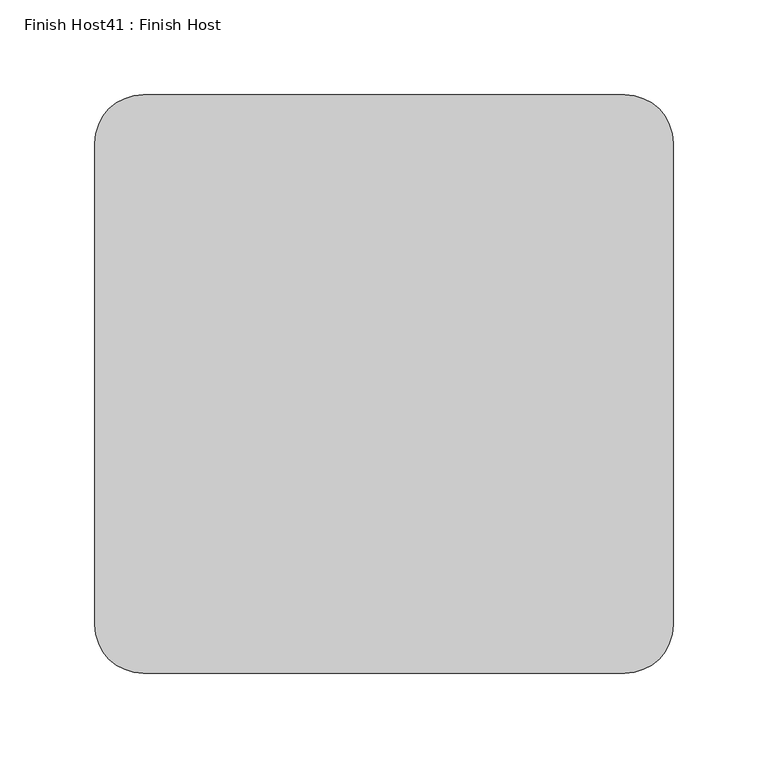
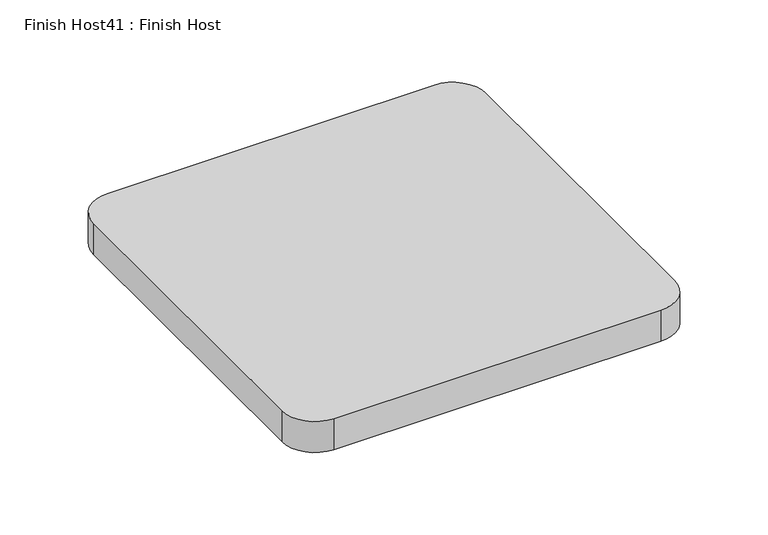
"""IFC4 building model written with IfcOpenShell, lengths in millimetres: proxy geometry, Finish Host41 : Finish Host."""

import ifcopenshell
import ifcopenshell.guid

model = None  # the IFC model being written
_history = None  # IfcOwnerHistory: only IFC2X3 demands one
_inside = {}  # id of a spatial element -> (the spatial element, [elements in it])
_under = {}  # id of a project, library or spatial element -> (it, [spatial elements below it])
_declared = {}  # id of a project -> (the project, [libraries it declares])
_typed = {}  # id of a type object -> (the type object, [elements of that type])
_made_of = {}  # id of a material, layer set ... -> (it, [elements and type objects made of it])


def new_model(schema):
    """Start an empty IFC model of exactly this schema.

    Asked for "IFC4X3", IfcOpenShell would pick the latest addendum, in which some entities
    have other attributes; the version numbers below select the first issue.
    IFC2X3 requires an IfcOwnerHistory on every rooted entity: one is made here for all.
    """
    global model, _history
    if schema == "IFC4X3":
        model = ifcopenshell.file(schema_version=(4, 3, 0, 0))
    else:
        model = ifcopenshell.file(schema=schema)
    _inside.clear()
    _under.clear()
    _declared.clear()
    _typed.clear()
    _made_of.clear()
    _history = None
    if model.schema == "IFC2X3":
        org = make("IfcOrganization", Name="unknown")
        user = make(
            "IfcPersonAndOrganization",
            ThePerson=make("IfcPerson", FamilyName="unknown"),
            TheOrganization=org,
        )
        app = make(
            "IfcApplication",
            ApplicationDeveloper=org,
            Version="unknown",
            ApplicationFullName="unknown",
            ApplicationIdentifier="unknown",
        )
        _history = make(
            "IfcOwnerHistory",
            OwningUser=user,
            OwningApplication=app,
            ChangeAction="ADDED",
            CreationDate=0,
        )
    return model


def make(cls, **values):
    """One entity of the class cls with the attributes given. An attribute that is None is left unset."""
    return model.create_entity(
        cls, **{name: value for name, value in values.items() if value is not None}
    )


def rooted(cls, **values):
    """An entity with a GlobalId (a new one), such as an element, a storey or a relation."""
    return make(cls, GlobalId=ifcopenshell.guid.new(), OwnerHistory=_history, **values)


def si_unit(unit_type, name, prefix=None):
    """IfcSIUnit, for example si_unit("LENGTHUNIT", "METRE", prefix="MILLI")."""
    return make("IfcSIUnit", UnitType=unit_type, Prefix=prefix, Name=name)


def assignment(units):
    """IfcUnitAssignment: the units of a project."""
    return None if units is None else make("IfcUnitAssignment", Units=units)


def point(xyz):
    """IfcCartesianPoint."""
    return None if xyz is None else make("IfcCartesianPoint", Coordinates=xyz)


def direction(xyz):
    """IfcDirection."""
    return None if xyz is None else make("IfcDirection", DirectionRatios=xyz)


def frame(location, z_axis=None, x_axis=None):
    """IfcAxis2Placement3D, a coordinate frame: its origin and axes. An axis left out is left unset."""
    return make(
        "IfcAxis2Placement3D",
        Location=point(location),
        Axis=direction(z_axis),
        RefDirection=direction(x_axis),
    )


def frame_2d(location, x_axis=None):
    """IfcAxis2Placement2D, a coordinate frame in the plane: its origin and x axis."""
    return make(
        "IfcAxis2Placement2D", Location=point(location), RefDirection=direction(x_axis)
    )


def origin():
    """The frame at (0, 0, 0) with its axes left unset."""
    return frame((0.0, 0.0, 0.0))


def origin_with_axes():
    """The frame at (0, 0, 0) with the z axis (0, 0, 1) and the x axis (1, 0, 0) written out."""
    return frame((0.0, 0.0, 0.0), z_axis=(0.0, 0.0, 1.0), x_axis=(1.0, 0.0, 0.0))


def place(relative_to, where):
    """IfcLocalPlacement: puts the frame where relative to a parent placement (None: the world)."""
    return make(
        "IfcLocalPlacement", PlacementRelTo=relative_to, RelativePlacement=where
    )


def context(
    kind, dimensions, precision=None, world=None, true_north=None, identifier=None
):
    """IfcGeometricRepresentationContext, for example the 3D "Model" context."""
    return make(
        "IfcGeometricRepresentationContext",
        ContextIdentifier=identifier,
        ContextType=kind,
        CoordinateSpaceDimension=dimensions,
        Precision=precision,
        WorldCoordinateSystem=world,
        TrueNorth=true_north,
    )


def project(units=None, contexts=None):
    """IfcProject with its units and contexts."""
    return rooted(
        "IfcProject",
        Name="project",
        RepresentationContexts=contexts,
        UnitsInContext=assignment(units),
    )


def spatial(cls, under=None, at=None, **own):
    """A site, building, storey or space (cls), placed at a placement, below another one or the project."""
    s = rooted(cls, ObjectPlacement=at, **own)
    if under is not None:
        _under.setdefault(under.id(), (under, []))[1].append(s)
    return s


def polyline(points):
    """IfcPolyline through the points."""
    return make("IfcPolyline", Points=[point(p) for p in points])


def circle_curve(where, radius):
    """IfcCircle in the frame where."""
    return make("IfcCircle", Position=where, Radius=radius)


def trimmed(basis, trim1, trim2, sense, master):
    """IfcTrimmedCurve: the piece of a basis curve between two trims."""
    return make(
        "IfcTrimmedCurve",
        BasisCurve=basis,
        Trim1=trim1,
        Trim2=trim2,
        SenseAgreement=sense,
        MasterRepresentation=master,
    )


def segment(curve, same_sense, transition):
    """IfcCompositeCurveSegment."""
    return make(
        "IfcCompositeCurveSegment",
        Transition=transition,
        SameSense=same_sense,
        ParentCurve=curve,
    )


def composite_curve(segments, self_intersect=None):
    """IfcCompositeCurve: segments joined end to end."""
    return make("IfcCompositeCurve", Segments=segments, SelfIntersect=self_intersect)


def outline(outer, holes=None, kind="AREA"):
    """IfcArbitraryClosedProfileDef: a profile drawn as a closed curve; with holes, ...WithVoids."""
    if holes is None:
        return make("IfcArbitraryClosedProfileDef", ProfileType=kind, OuterCurve=outer)
    return make(
        "IfcArbitraryProfileDefWithVoids",
        ProfileType=kind,
        OuterCurve=outer,
        InnerCurves=holes,
    )


def extrude(swept, where, along, depth):
    """IfcExtrudedAreaSolid: the profile swept, set in the frame where, extruded along a direction by depth."""
    return make(
        "IfcExtrudedAreaSolid",
        SweptArea=swept,
        Position=where,
        ExtrudedDirection=direction(along),
        Depth=depth,
    )


def shape(context_of_items, identifier, shape_type, items):
    """IfcShapeRepresentation: the items that make up one representation, for example the "Body"."""
    return make(
        "IfcShapeRepresentation",
        ContextOfItems=context_of_items,
        RepresentationIdentifier=identifier,
        RepresentationType=shape_type,
        Items=items,
    )


def source(mapping_origin, context_of_items, identifier, shape_type, items):
    """IfcRepresentationMap: a shape defined once, which mapped items show again and again."""
    return make(
        "IfcRepresentationMap",
        MappingOrigin=mapping_origin,
        MappedRepresentation=shape(context_of_items, identifier, shape_type, items),
    )


def transform(
    local_origin,
    x_axis=None,
    y_axis=None,
    z_axis=None,
    scale=None,
    scale2=None,
    scale3=None,
    uniform=True,
):
    """IfcCartesianTransformationOperator3D, or its non-uniform kind. x_axis, y_axis, z_axis: its Axis1, 2, 3."""
    if uniform:
        return make(
            "IfcCartesianTransformationOperator3D",
            Axis1=direction(x_axis),
            Axis2=direction(y_axis),
            LocalOrigin=point(local_origin),
            Scale=scale,
            Axis3=direction(z_axis),
        )
    return make(
        "IfcCartesianTransformationOperator3DnonUniform",
        Axis1=direction(x_axis),
        Axis2=direction(y_axis),
        LocalOrigin=point(local_origin),
        Scale=scale,
        Axis3=direction(z_axis),
        Scale2=scale2,
        Scale3=scale3,
    )


def mapped(mapping_source, mapping_target):
    """IfcMappedItem: shows the shape of a source again, moved by a transform."""
    return make(
        "IfcMappedItem", MappingSource=mapping_source, MappingTarget=mapping_target
    )


def made_of(thing, what):
    """Note that an element or type object is made of a material, layer set ...; save() writes the relation."""
    if what is not None:
        _made_of.setdefault(what.id(), (what, []))[1].append(thing)
    return thing


def element(
    cls,
    number,
    at=None,
    inside=None,
    cuts=None,
    type_object=None,
    material=None,
    context=None,
    identifier="Body",
    shape_type=None,
    held_by="IfcProductDefinitionShape",
    body=None,
    shapes=None,
    **own,
):
    """One element of the class cls, such as IfcWall. Its Tag is "e" and its number.

    at: its placement. inside: the storey or other place that contains it. cuts: it is an
    opening in that element (IfcRelVoidsElement). A single representation is given by context,
    identifier, shape_type and body (its items); several are given by shapes. held_by: the class
    of the entity that holds the representations. save() writes the other relations.
    """
    e = rooted(cls, Tag="e%d" % number, ObjectPlacement=at, **own)
    if body is not None:
        shapes = [shape(context, identifier, shape_type, body)]
    if shapes is not None:
        e.Representation = make(held_by, Representations=shapes)
    if inside is not None:
        _inside.setdefault(inside.id(), (inside, []))[1].append(e)
    if cuts is not None:
        rooted(
            "IfcRelVoidsElement", RelatingBuildingElement=cuts, RelatedOpeningElement=e
        )
    if type_object is not None:
        _typed.setdefault(type_object.id(), (type_object, []))[1].append(e)
    return made_of(e, material)


def aggregate(whole, parts):
    """IfcRelAggregates: a whole, such as a stair, and the parts it consists of."""
    return rooted("IfcRelAggregates", RelatingObject=whole, RelatedObjects=parts)


def save(model, path):
    """Write the relations noted so far, then the file.

    IfcRelAggregates (storeys below a building ...), IfcRelContainedInSpatialStructure (elements
    in a storey), IfcRelDefinesByType, IfcRelAssociatesMaterial and IfcRelDeclares: one each for
    every whole, place, type object, material and project.
    """
    for whole, parts in _under.values():
        aggregate(whole, parts)
    for where, things in _inside.values():
        rooted(
            "IfcRelContainedInSpatialStructure",
            RelatedElements=things,
            RelatingStructure=where,
        )
    for kind, things in _typed.values():
        rooted("IfcRelDefinesByType", RelatedObjects=things, RelatingType=kind)
    for what, things in _made_of.values():
        rooted("IfcRelAssociatesMaterial", RelatedObjects=things, RelatingMaterial=what)
    for by, libraries in _declared.values():
        rooted("IfcRelDeclares", RelatingContext=by, RelatedDefinitions=libraries)
    model.write(path)


def finish_host41_finish_host_d7d51719(model_context):
    return source(origin(), model_context, "Body", "SweptSolid", [
        extrude(outline(composite_curve([segment(polyline([(2308.6934426, 2527.6122951), (2308.6934426, 2781.6122951)]), True, "CONTINUOUS"), segment(trimmed(circle_curve(frame_2d((2334.0934426, 2781.6122951)), 25.4), [point((2308.6934426, 2781.6122951))], [point((2334.0934426, 2807.0122951))], False, "CARTESIAN"), True, "CONTINUOUS"), segment(polyline([(2334.0934426, 2807.0122951), (2588.0934426, 2807.0122951)]), True, "CONTINUOUS"), segment(trimmed(circle_curve(frame_2d((2588.0934426, 2781.6122951)), 25.4), [point((2588.0934426, 2807.0122951))], [point((2613.4934426, 2781.6122951))], False, "CARTESIAN"), True, "CONTINUOUS"), segment(polyline([(2613.4934426, 2781.6122951), (2613.4934426, 2527.6122951)]), True, "CONTINUOUS"), segment(trimmed(circle_curve(frame_2d((2588.0934426, 2527.6122951)), 25.4), [point((2613.4934426, 2527.6122951))], [point((2588.0934426, 2502.2122951))], False, "CARTESIAN"), True, "CONTINUOUS"), segment(polyline([(2588.0934426, 2502.2122951), (2334.0934426, 2502.2122951)]), True, "CONTINUOUS"), segment(trimmed(circle_curve(frame_2d((2334.0934426, 2527.6122951)), 25.4), [point((2334.0934426, 2502.2122951))], [point((2308.6934426, 2527.6122951))], False, "CARTESIAN"), True, "CONTINUOUS")], self_intersect=False)), origin_with_axes(), (0.0, 0.0, 1.0), 25.4),
    ])


if __name__ == "__main__":
    model = new_model("IFC4")
    model_context = context("Model", 3, world=origin())
    ifc_project = project(units=[si_unit("LENGTHUNIT", "METRE", prefix="MILLI")], contexts=[model_context])
    site = spatial("IfcSite", under=ifc_project)
    building = spatial("IfcBuilding", under=site)
    placement = place(None, origin())
    finish_host41_finish_host_shape = finish_host41_finish_host_d7d51719(model_context)
    element("IfcBuildingElementProxy", 1, Name="Finish Host41 : Finish Host", ObjectType="Finish Host41 : Finish Host", at=placement, inside=building, context=model_context, shape_type="MappedRepresentation", body=[
        mapped(finish_host41_finish_host_shape, transform((0.0, 0.0, 0.0), x_axis=(1.0, 0.0, 0.0), y_axis=(0.0, 1.0, 0.0), z_axis=(0.0, 0.0, 1.0))),
    ])
    save(model, "model.ifc")
